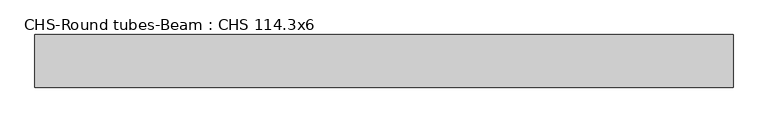
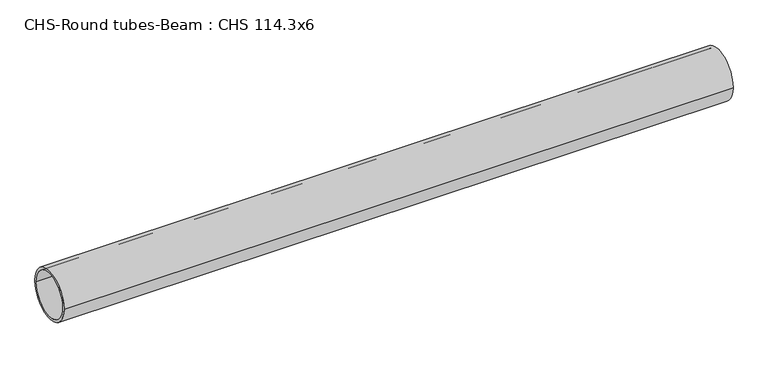
"""IFC4 building model written with IfcOpenShell, lengths in millimetres: beam geometry, CHS-Round tubes-Beam : CHS 114.3x6."""

from ifc_helpers import new_model, si_unit, point, frame, origin, origin_2d, place, context, project, spatial, circle_curve, trimmed, segment, composite_curve, outline, extrude, source, transform, mapped, element, save


def chs_round_tubes_beam_chs_114_3x6_7d6e45c6(model_context):
    return source(origin(), model_context, "Body", "SweptSolid", [
        extrude(outline(composite_curve([segment(trimmed(circle_curve(origin_2d(), 57.15), [point((57.15, 0.0))], [point((-57.15, 0.0))], False, "CARTESIAN"), True, "CONTINUOUS"), segment(trimmed(circle_curve(origin_2d(), 57.15), [point((-57.15, 0.0))], [point((57.15, 0.0))], False, "CARTESIAN"), True, "CONTINUOUS")], self_intersect=False), holes=[composite_curve([segment(trimmed(circle_curve(origin_2d(), 51.15), [point((51.15, 0.0))], [point((-51.15, 0.0))], True, "CARTESIAN"), True, "CONTINUOUS"), segment(trimmed(circle_curve(origin_2d(), 51.15), [point((-51.15, 0.0))], [point((51.15, 0.0))], True, "CARTESIAN"), True, "CONTINUOUS")], self_intersect=False)]), frame((-736.5236377, 0.0, 0.0), z_axis=(1.0, 0.0, 0.0), x_axis=(0.0, 1.0, 0.0)), (0.0, 0.0, 1.0), 1517.4450924),
    ])


if __name__ == "__main__":
    model = new_model("IFC4")
    model_context = context("Model", 3, world=origin())
    ifc_project = project(units=[si_unit("LENGTHUNIT", "METRE", prefix="MILLI")], contexts=[model_context])
    site = spatial("IfcSite", under=ifc_project)
    building = spatial("IfcBuilding", under=site)
    placement = place(None, origin())
    chs_round_tubes_beam_chs_114_3x6_shape = chs_round_tubes_beam_chs_114_3x6_7d6e45c6(model_context)
    element("IfcBeam", 1, ObjectType="CHS-Round tubes-Beam : CHS 114.3x6", at=placement, inside=building, context=model_context, shape_type="MappedRepresentation", body=[
        mapped(chs_round_tubes_beam_chs_114_3x6_shape, transform((0.0, 0.0, 0.0), x_axis=(1.0, 0.0, 0.0), y_axis=(0.0, 1.0, 0.0), z_axis=(0.0, 0.0, 1.0))),
    ])
    save(model, "model.ifc")
